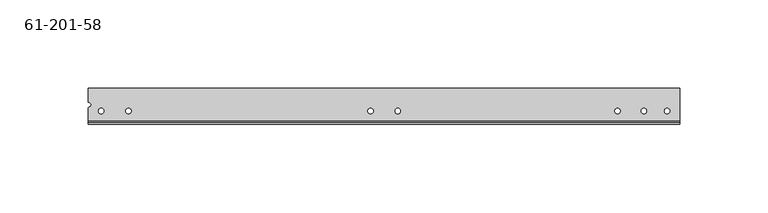
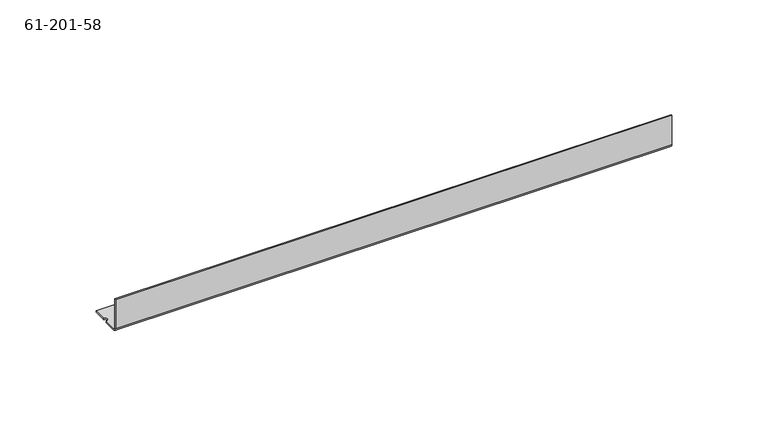
"""IFC4 building model written with IfcOpenShell, lengths in millimetres: proxy geometry, 61-201-58."""

from ifc_helpers import new_model, si_unit, frame, origin, place, context, project, spatial, polyline, circle_curve, source, transform, mapped, element, save
from ifc_brep_helpers import plane_surface, cylinder_surface, revolved_surface, advanced_brep


def proxy_61_201_58_e81949ae(model_context):
    return source(origin(), model_context, "Body", "AdvancedBrep", [
        advanced_brep(
        [(264.633054, 13.4007527, 0.0), (264.633054, 13.4007527, 0.8636), (261.585054, 13.4007527, 0.8636), (261.585054, 13.4007527, 0.0), (279.542854, 13.4007527, 0.0), (279.542854, 13.4007527, 0.8636), (276.494854, 13.4007527, 0.8636), (276.494854, 13.4007527, 0.0), (124.933054, 13.4007527, 0.0), (124.933054, 13.4007527, 0.8636), (121.885054, 13.4007527, 0.8636), (121.885054, 13.4007527, 0.0), (-27.466946, 13.4007527, 0.0), (-27.466946, 13.4007527, 0.8636), (-30.514946, 13.4007527, 0.8636), (-30.514946, 13.4007527, 0.0), (-12.074546, 13.4007527, 0.0), (-12.074546, 13.4007527, 0.8636), (-15.122546, 13.4007527, 0.8636), (-15.122546, 13.4007527, 0.0), (140.325454, 13.4007527, 0.0), (140.325454, 13.4007527, 0.8636), (137.277454, 13.4007527, 0.8636), (137.277454, 13.4007527, 0.0), (292.725454, 13.4007527, 0.0), (292.725454, 13.4007527, 0.8636), (289.677454, 13.4007527, 0.8636), (289.677454, 13.4007527, 0.0), (-36.229946, 15.3819527, 0.0), (-36.229946, 15.3819527, 0.8636), (-36.229946, 18.4299527, 0.8636), (-36.229946, 18.4299527, 0.0), (-36.229946, 26.2023527, 0.0), (298.262654, 26.2023527, 0.0), (298.262654, 7.6095527, 0.0), (-36.229946, 7.6095527, 0.0), (-36.229946, 26.2023527, 0.8636), (298.262654, 5.8823527, 1.7272), (-36.229946, 5.8823527, 1.7272), (-36.229946, 6.7459527, 1.7272), (298.262654, 6.7459527, 1.7272), (298.262654, 7.6095527, 0.8636), (-36.229946, 7.6095527, 0.8636), (298.262654, 26.2023527, 0.8636), (-36.229946, 5.8823527, 20.32), (-36.229946, 6.7459527, 20.32), (298.262654, 5.8823527, 20.32), (298.262654, 6.7459527, 20.32)],
        [
            (0, 1),
            (1, 2, circle_curve(frame((263.109054, 13.4007527, 0.8636), z_axis=(0.0, 0.0, 1.0), x_axis=(1.0, 0.0, 0.0)), 1.524)),
            (2, 3),
            (3, 0, circle_curve(frame((263.109054, 13.4007527, 0.0), z_axis=(0.0, 0.0, -1.0), x_axis=(1.0, 0.0, 0.0)), 1.524)),
            (4, 5),
            (5, 6, circle_curve(frame((278.018854, 13.4007527, 0.8636), z_axis=(0.0, 0.0, 1.0), x_axis=(1.0, 0.0, 0.0)), 1.524)),
            (6, 7),
            (7, 4, circle_curve(frame((278.018854, 13.4007527, 0.0), z_axis=(0.0, 0.0, -1.0), x_axis=(1.0, 0.0, 0.0)), 1.524)),
            (8, 9),
            (9, 10, circle_curve(frame((123.409054, 13.4007527, 0.8636), z_axis=(0.0, 0.0, 1.0), x_axis=(1.0, 0.0, 0.0)), 1.524)),
            (10, 11),
            (11, 8, circle_curve(frame((123.409054, 13.4007527, 0.0), z_axis=(0.0, 0.0, -1.0), x_axis=(1.0, 0.0, 0.0)), 1.524)),
            (12, 13),
            (13, 14, circle_curve(frame((-28.990946, 13.4007527, 0.8636), z_axis=(0.0, 0.0, 1.0), x_axis=(1.0, 0.0, 0.0)), 1.524)),
            (14, 15),
            (15, 12, circle_curve(frame((-28.990946, 13.4007527, 0.0), z_axis=(0.0, 0.0, -1.0), x_axis=(1.0, 0.0, 0.0)), 1.524)),
            (16, 17),
            (17, 18, circle_curve(frame((-13.598546, 13.4007527, 0.8636), z_axis=(0.0, 0.0, 1.0), x_axis=(1.0, 0.0, 0.0)), 1.524)),
            (18, 19),
            (19, 16, circle_curve(frame((-13.598546, 13.4007527, 0.0), z_axis=(0.0, 0.0, -1.0), x_axis=(1.0, 0.0, 0.0)), 1.524)),
            (20, 21),
            (21, 22, circle_curve(frame((138.801454, 13.4007527, 0.8636), z_axis=(0.0, 0.0, 1.0), x_axis=(1.0, 0.0, 0.0)), 1.524)),
            (22, 23),
            (23, 20, circle_curve(frame((138.801454, 13.4007527, 0.0), z_axis=(0.0, 0.0, -1.0), x_axis=(1.0, 0.0, 0.0)), 1.524)),
            (24, 25),
            (25, 26, circle_curve(frame((291.201454, 13.4007527, 0.8636), z_axis=(0.0, 0.0, 1.0), x_axis=(1.0, 0.0, 0.0)), 1.524)),
            (26, 27),
            (27, 24, circle_curve(frame((291.201454, 13.4007527, 0.0), z_axis=(0.0, 0.0, -1.0), x_axis=(1.0, 0.0, 0.0)), 1.524)),
            (28, 29),
            (29, 30, circle_curve(frame((-36.229946, 16.9059527, 0.8636), z_axis=(0.0, 0.0, 1.0), x_axis=(1.0, 0.0, 0.0)), 1.524)),
            (30, 31),
            (31, 28, circle_curve(frame((-36.229946, 16.9059527, 0.0), z_axis=(0.0, 0.0, -1.0), x_axis=(1.0, 0.0, 0.0)), 1.524)),
            (31, 32),
            (32, 33),
            (33, 34),
            (34, 35),
            (35, 28),
            (3, 0, circle_curve(frame((263.109054, 13.4007527, 0.0), z_axis=(0.0, 0.0, 1.0), x_axis=(1.0, 0.0, 0.0)), 1.524)),
            (7, 4, circle_curve(frame((278.018854, 13.4007527, 0.0), z_axis=(0.0, 0.0, 1.0), x_axis=(1.0, 0.0, 0.0)), 1.524)),
            (11, 8, circle_curve(frame((123.409054, 13.4007527, 0.0), z_axis=(0.0, 0.0, 1.0), x_axis=(1.0, 0.0, 0.0)), 1.524)),
            (15, 12, circle_curve(frame((-28.990946, 13.4007527, 0.0), z_axis=(0.0, 0.0, 1.0), x_axis=(1.0, 0.0, 0.0)), 1.524)),
            (19, 16, circle_curve(frame((-13.598546, 13.4007527, 0.0), z_axis=(0.0, 0.0, 1.0), x_axis=(1.0, 0.0, 0.0)), 1.524)),
            (23, 20, circle_curve(frame((138.801454, 13.4007527, 0.0), z_axis=(0.0, 0.0, 1.0), x_axis=(1.0, 0.0, 0.0)), 1.524)),
            (27, 24, circle_curve(frame((291.201454, 13.4007527, 0.0), z_axis=(0.0, 0.0, 1.0), x_axis=(1.0, 0.0, 0.0)), 1.524)),
            (30, 36),
            (36, 32),
            (26, 25, circle_curve(frame((291.201454, 13.4007527, 0.8636), z_axis=(0.0, 0.0, 1.0), x_axis=(1.0, 0.0, 0.0)), 1.524)),
            (22, 21, circle_curve(frame((138.801454, 13.4007527, 0.8636), z_axis=(0.0, 0.0, 1.0), x_axis=(1.0, 0.0, 0.0)), 1.524)),
            (18, 17, circle_curve(frame((-13.598546, 13.4007527, 0.8636), z_axis=(0.0, 0.0, 1.0), x_axis=(1.0, 0.0, 0.0)), 1.524)),
            (14, 13, circle_curve(frame((-28.990946, 13.4007527, 0.8636), z_axis=(0.0, 0.0, 1.0), x_axis=(1.0, 0.0, 0.0)), 1.524)),
            (10, 9, circle_curve(frame((123.409054, 13.4007527, 0.8636), z_axis=(0.0, 0.0, 1.0), x_axis=(1.0, 0.0, 0.0)), 1.524)),
            (6, 5, circle_curve(frame((278.018854, 13.4007527, 0.8636), z_axis=(0.0, 0.0, 1.0), x_axis=(1.0, 0.0, 0.0)), 1.524)),
            (2, 1, circle_curve(frame((263.109054, 13.4007527, 0.8636), z_axis=(0.0, 0.0, 1.0), x_axis=(1.0, 0.0, 0.0)), 1.524)),
            (37, 38),
            (38, 35, circle_curve(frame((-36.229946, 7.6095527, 1.7272), z_axis=(1.0, 0.0, 0.0), x_axis=(0.0, 0.0, -1.0)), 1.7272)),
            (34, 37, circle_curve(frame((298.262654, 7.6095527, 1.7272), z_axis=(-1.0, 0.0, 0.0), x_axis=(0.0, 0.0, -1.0)), 1.7272)),
            (39, 40),
            (40, 41, circle_curve(frame((298.262654, 7.6095527, 1.7272), z_axis=(1.0, 0.0, 0.0), x_axis=(0.0, 0.0, -1.0)), 0.8636)),
            (41, 42),
            (42, 39, circle_curve(frame((-36.229946, 7.6095527, 1.7272), z_axis=(-1.0, 0.0, 0.0), x_axis=(0.0, 0.0, -1.0)), 0.8636)),
            (36, 43),
            (43, 33),
            (29, 42),
            (41, 43),
            (38, 44),
            (44, 45),
            (45, 39),
            (37, 46),
            (46, 44),
            (40, 47),
            (47, 46),
            (47, 45),
        ],
        [
            revolved_surface(polyline([(264.633054, 13.4007527, 0.8636), (264.633054, 13.4007527, 0.0)]), (263.109054, 13.4007527, 0.4318), (0.0, 0.0, 1.0)),
            revolved_surface(polyline([(279.542854, 13.4007527, 0.8636), (279.542854, 13.4007527, 0.0)]), (278.018854, 13.4007527, 0.4318), (0.0, 0.0, 1.0)),
            revolved_surface(polyline([(124.933054, 13.4007527, 0.8636), (124.933054, 13.4007527, 0.0)]), (123.409054, 13.4007527, 0.4318), (0.0, 0.0, 1.0)),
            revolved_surface(polyline([(-27.466946, 13.4007527, 0.8636), (-27.466946, 13.4007527, 0.0)]), (-28.990946, 13.4007527, 0.4318), (0.0, 0.0, 1.0)),
            revolved_surface(polyline([(-12.074546000000002, 13.4007527, 0.8636), (-12.074546000000002, 13.4007527, 0.0)]), (-13.598546, 13.4007527, 0.4318), (0.0, 0.0, 1.0)),
            revolved_surface(polyline([(140.325454, 13.4007527, 0.8636), (140.325454, 13.4007527, 0.0)]), (138.801454, 13.4007527, 0.4318), (0.0, 0.0, 1.0)),
            revolved_surface(polyline([(292.725454, 13.4007527, 0.8636), (292.725454, 13.4007527, 0.0)]), (291.201454, 13.4007527, 0.4318), (0.0, 0.0, 1.0)),
            revolved_surface(polyline([(-34.705946, 16.9059527, 0.8635999999999999), (-34.705946, 16.9059527, 0.0)]), (-36.229946, 16.9059527, -8.6614), (0.0, 0.0, 1.0)),
            plane_surface(frame((131.016354, 16.0423527, 0.0), z_axis=(0.0, 0.0, -1.0), x_axis=(1.0, 0.0, 0.0))),
            plane_surface(frame((-36.229946, 5.8823527, 20.32), z_axis=(-1.0, 0.0, 0.0), x_axis=(0.0, 0.0, 1.0))),
            cylinder_surface(frame((131.016354, 7.6095527, 1.7272), z_axis=(-1.0, 0.0, 0.0), x_axis=(0.0, 0.0, -1.0)), 1.7272),
            revolved_surface(polyline([(-36.22994600000001, 7.6095527, 0.8636), (298.262654, 7.6095527, 0.8636)]), (131.016354, 7.6095527, 1.7272), (-1.0, 0.0, 0.0)),
            plane_surface(frame((-36.229946, 26.2023527, 0.0), z_axis=(0.0, 1.0, 0.0), x_axis=(0.0, 0.0, 1.0))),
            plane_surface(frame((131.016354, 16.0423527, 0.8636), z_axis=(0.0, 0.0, 1.0), x_axis=(1.0, 0.0, 0.0))),
            plane_surface(frame((131.016354, 5.8823527, 10.16), z_axis=(0.0, -1.0, 0.0), x_axis=(0.0, 0.0, 1.0))),
            plane_surface(frame((298.262654, 5.8823527, 0.0), z_axis=(1.0, 0.0, 0.0), x_axis=(0.0, 0.0, -1.0))),
            plane_surface(frame((298.262654, 5.8823527, 20.32), z_axis=(0.0, 0.0, 1.0), x_axis=(1.0, 0.0, 0.0))),
            plane_surface(frame((131.016354, 6.7459527, 10.16), z_axis=(0.0, 1.0, 0.0), x_axis=(0.0, 0.0, 1.0))),
        ],
        [
            (0, [[1, 2, 3, 4]]),
            (1, [[5, 6, 7, 8]]),
            (2, [[9, 10, 11, 12]]),
            (3, [[13, 14, 15, 16]]),
            (4, [[17, 18, 19, 20]]),
            (5, [[21, 22, 23, 24]]),
            (6, [[25, 26, 27, 28]]),
            (7, [[29, 30, 31, 32]]),
            (8, [[-32, 33, 34, 35, 36, 37], [-4, 38], [-8, 39], [-12, 40], [-16, 41], [-20, 42], [-24, 43], [-28, 44]]),
            (9, [[-31, 45, 46, -33]]),
            (6, [[-25, -44, -27, 47]]),
            (5, [[-21, -43, -23, 48]]),
            (4, [[-17, -42, -19, 49]]),
            (3, [[-13, -41, -15, 50]]),
            (2, [[-9, -40, -11, 51]]),
            (1, [[-5, -39, -7, 52]]),
            (0, [[-1, -38, -3, 53]]),
            (10, [[54, 55, -36, 56]]),
            (11, [[57, 58, 59, 60]]),
            (12, [[61, 62, -34, -46]]),
            (13, [[-30, 63, -59, 64, -61, -45], [-47, -26], [-48, -22], [-49, -18], [-50, -14], [-51, -10], [-52, -6], [-53, -2]]),
            (9, [[-29, -37, -55, 65, 66, 67, -60, -63]]),
            (14, [[-54, 68, 69, -65]]),
            (15, [[70, 71, -68, -56, -35, -62, -64, -58]]),
            (16, [[72, -66, -69, -71]]),
            (17, [[-57, -67, -72, -70]]),
        ],
    ),
    ])


if __name__ == "__main__":
    model = new_model("IFC4")
    model_context = context("Model", 3, world=origin())
    ifc_project = project(units=[si_unit("LENGTHUNIT", "METRE", prefix="MILLI")], contexts=[model_context])
    site = spatial("IfcSite", under=ifc_project)
    building = spatial("IfcBuilding", under=site)
    placement = place(None, origin())
    proxy_61_201_58_shape = proxy_61_201_58_e81949ae(model_context)
    element("IfcBuildingElementProxy", 1, Name="61-201-58", ObjectType="61-201-58", at=placement, inside=building, context=model_context, shape_type="MappedRepresentation", body=[
        mapped(proxy_61_201_58_shape, transform((0.0, 0.0, 0.0), x_axis=(1.0, 0.0, 0.0), y_axis=(0.0, 1.0, 0.0), z_axis=(0.0, 0.0, 1.0))),
    ])
    save(model, "model.ifc")
